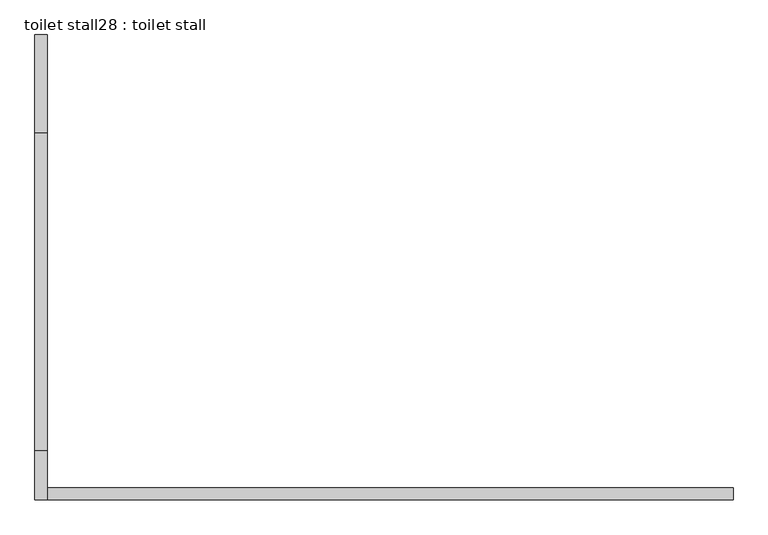
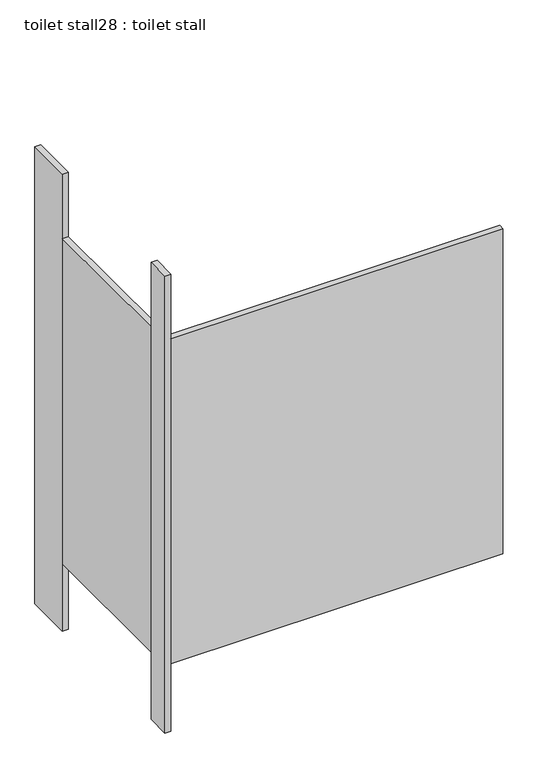
"""IFC4 building model written with IfcOpenShell, lengths in millimetres: proxy geometry, toilet stall28 : toilet stall."""

from ifc_helpers import new_model, si_unit, frame, origin, origin_with_axes, place, context, project, spatial, polyline, outline, extrude, source, transform, mapped, element, save


def toilet_stall28_toilet_stall_c8e8fc17(model_context):
    return source(origin(), model_context, "Body", "SweptSolid", [
        extrude(outline(polyline([(454658.2004676, -337120.7205223), (454632.8004676, -337120.7205223), (454632.8004676, -336917.5205223), (454658.2004676, -336917.5205223), (454658.2004676, -337120.7205223)])), origin_with_axes(), (0.0, 0.0, 1.0), 2070.1),
        extrude(outline(polyline([(454658.2004676, -337882.7205223), (454632.8004676, -337882.7205223), (454632.8004676, -337781.1205223), (454658.2004676, -337781.1205223), (454658.2004676, -337882.7205223)])), origin_with_axes(), (0.0, 0.0, 1.0), 2070.1),
        extrude(outline(polyline([(454658.2004676, -337882.7205223), (454658.2004676, -337857.3205223), (456080.6004676, -337857.3205223), (456080.6004676, -337882.7205223), (454658.2004676, -337882.7205223)])), frame((0.0, 0.0, 304.8), z_axis=(0.0, 0.0, 1.0), x_axis=(1.0, 0.0, 0.0)), (0.0, 0.0, 1.0), 1473.2),
        extrude(outline(polyline([(454658.2004676, -337781.1205223), (454632.8004676, -337781.1205223), (454632.8004676, -337120.7205223), (454658.2004676, -337120.7205223), (454658.2004676, -337781.1205223)])), frame((0.0, 0.0, 304.8), z_axis=(0.0, 0.0, 1.0), x_axis=(1.0, 0.0, 0.0)), (0.0, 0.0, 1.0), 1473.2),
    ])


if __name__ == "__main__":
    model = new_model("IFC4")
    model_context = context("Model", 3, world=origin())
    ifc_project = project(units=[si_unit("LENGTHUNIT", "METRE", prefix="MILLI")], contexts=[model_context])
    site = spatial("IfcSite", under=ifc_project)
    building = spatial("IfcBuilding", under=site)
    placement = place(None, origin())
    toilet_stall28_toilet_stall_shape = toilet_stall28_toilet_stall_c8e8fc17(model_context)
    element("IfcBuildingElementProxy", 1, Name="toilet stall28 : toilet stall", ObjectType="toilet stall28 : toilet stall", at=placement, inside=building, context=model_context, shape_type="MappedRepresentation", body=[
        mapped(toilet_stall28_toilet_stall_shape, transform((0.0, 0.0, 0.0), x_axis=(1.0, 0.0, 0.0), y_axis=(0.0, 1.0, 0.0), z_axis=(0.0, 0.0, 1.0))),
    ])
    save(model, "model.ifc")
